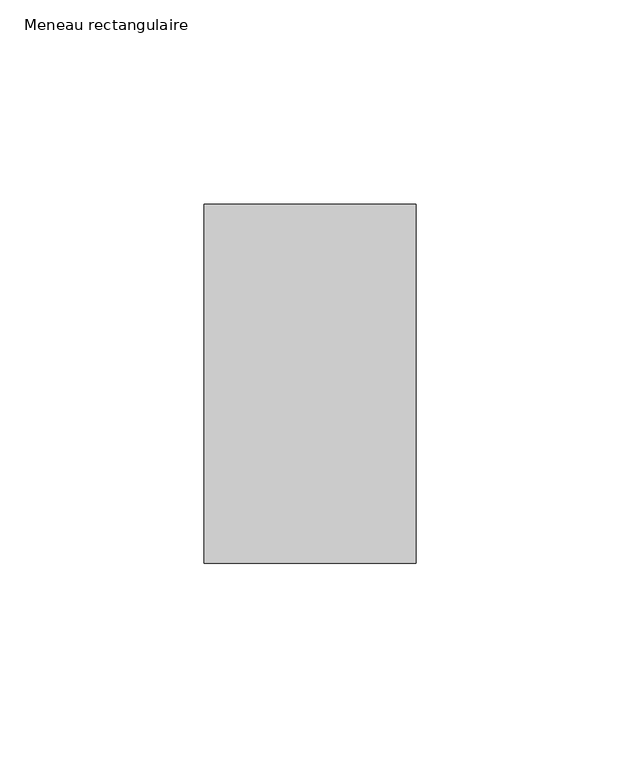
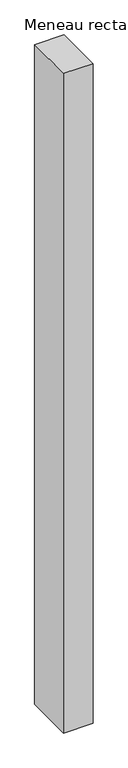
"""IFC4 building model written with IfcOpenShell, lengths in millimetres: member geometry, Meneau rectangulaire."""

from ifc_helpers import new_model, si_unit, frame, origin, place, context, project, spatial, polyline, outline, extrude, source, transform, mapped, element, save


def meneau_rectangulaire_39e89775(model_context):
    return source(origin(), model_context, "Body", "SweptSolid", [
        extrude(outline(polyline([(-52.0, 44.0), (0.0, 44.0), (0.0, -44.0), (-52.0, -44.0), (-52.0, 44.0)])), frame((0.0, 0.0, -1227.2499998), z_axis=(0.0, 0.0, 1.0), x_axis=(1.0, 0.0, 0.0)), (0.0, 0.0, 1.0), 1227.2499998),
    ])


if __name__ == "__main__":
    model = new_model("IFC4")
    model_context = context("Model", 3, world=origin())
    ifc_project = project(units=[si_unit("LENGTHUNIT", "METRE", prefix="MILLI")], contexts=[model_context])
    site = spatial("IfcSite", under=ifc_project)
    building = spatial("IfcBuilding", under=site)
    placement = place(None, origin())
    meneau_rectangulaire_shape = meneau_rectangulaire_39e89775(model_context)
    element("IfcMember", 1, ObjectType="Meneau rectangulaire", at=placement, inside=building, context=model_context, shape_type="MappedRepresentation", body=[
        mapped(meneau_rectangulaire_shape, transform((0.0, 0.0, 0.0), x_axis=(1.0, 0.0, 0.0), y_axis=(0.0, 1.0, 0.0), z_axis=(0.0, 0.0, 1.0))),
    ])
    save(model, "model.ifc")
